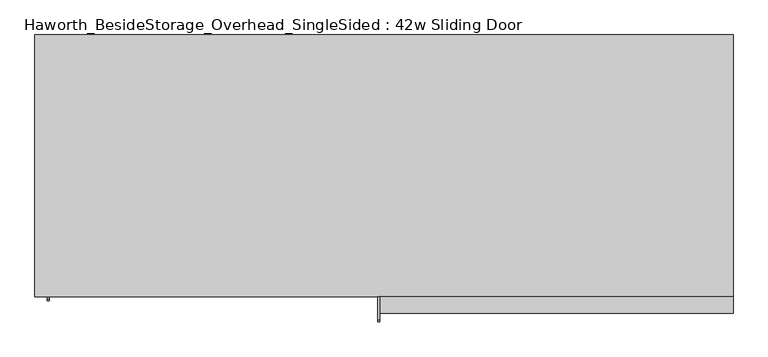
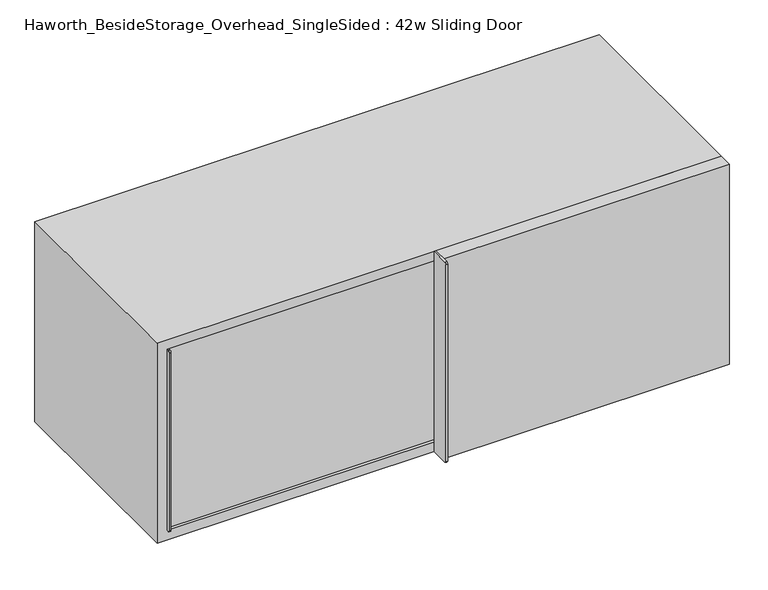
"""IFC4 building model written with IfcOpenShell, lengths in millimetres: furniture geometry, Haworth_BesideStorage_Overhead_SingleSided : 42w Sliding Door."""

from ifc_helpers import new_model, si_unit, point, frame, frame_2d, origin, place, context, project, spatial, polyline, circle_curve, trimmed, segment, composite_curve, outline, extrude, source, transform, mapped, element, save


def haworth_besidestorage_overhead_singlesided_42w_sliding_door_4ea8b382(model_context):
    return source(origin(), model_context, "Body", "SweptSolid", [
        extrude(outline(composite_curve([segment(polyline([(-400.05, 1162.05), (-400.05, 762.0), (-434.975, 762.0)]), True, "CONTINUOUS"), segment(trimmed(circle_curve(frame_2d((-434.975, 765.175)), 3.175), [point((-434.975, 762.0))], [point((-438.15, 765.175))], False, "CARTESIAN"), True, "CONTINUOUS"), segment(polyline([(-438.15, 765.175), (-438.15, 1158.875)]), True, "CONTINUOUS"), segment(trimmed(circle_curve(frame_2d((-434.975, 1158.875)), 3.175), [point((-438.15, 1158.875))], [point((-434.975, 1162.05))], False, "CARTESIAN"), True, "CONTINUOUS"), segment(polyline([(-434.975, 1162.05), (-400.05, 1162.05)]), True, "CONTINUOUS")], self_intersect=False)), frame((155.575, 0.0, 0.0), z_axis=(1.0, 0.0, 0.0), x_axis=(0.0, 1.0, 0.0)), (0.0, 0.0, 1.0), 3.175),
        extrude(outline(polyline([(698.5, -400.05), (698.5, -425.45), (158.75, -425.45), (158.75, -400.05), (698.5, -400.05)])), frame((0.0, 0.0, 762.0), z_axis=(0.0, 0.0, 1.0), x_axis=(1.0, 0.0, 0.0)), (0.0, 0.0, 1.0), 400.05),
        extrude(outline(composite_curve([segment(polyline([(-368.3, 1143.0), (-368.3, 781.05), (-403.225, 781.05)]), True, "CONTINUOUS"), segment(trimmed(circle_curve(frame_2d((-403.225, 784.225)), 3.175), [point((-403.225, 781.05))], [point((-406.4, 784.225))], False, "CARTESIAN"), True, "CONTINUOUS"), segment(polyline([(-406.4, 784.225), (-406.4, 1139.825)]), True, "CONTINUOUS"), segment(trimmed(circle_curve(frame_2d((-403.225, 1139.825)), 3.175), [point((-406.4, 1139.825))], [point((-403.225, 1143.0))], False, "CARTESIAN"), True, "CONTINUOUS"), segment(polyline([(-403.225, 1143.0), (-368.3, 1143.0)]), True, "CONTINUOUS")], self_intersect=False)), frame((-349.25, 0.0, 0.0), z_axis=(1.0, 0.0, 0.0), x_axis=(0.0, 1.0, 0.0)), (0.0, 0.0, 1.0), 3.175),
        extrude(outline(polyline([(174.625, -368.3), (174.625, -393.7), (-346.075, -393.7), (-346.075, -368.3), (174.625, -368.3)])), frame((0.0, 0.0, 781.05), z_axis=(0.0, 0.0, 1.0), x_axis=(1.0, 0.0, 0.0)), (0.0, 0.0, 1.0), 361.95),
        extrude(outline(polyline([(174.625, -368.3), (155.575, -368.3), (155.575, -19.05), (174.625, -19.05), (174.625, -368.3)])), frame((0.0, 0.0, 781.05), z_axis=(0.0, 0.0, 1.0), x_axis=(1.0, 0.0, 0.0)), (0.0, 0.0, 1.0), 361.95),
        extrude(outline(polyline([(679.45, -19.05), (-349.25, -19.05), (-349.25, 0.0), (679.45, 0.0), (679.45, -19.05)])), frame((0.0, 0.0, 781.05), z_axis=(0.0, 0.0, 1.0), x_axis=(1.0, 0.0, 0.0)), (0.0, 0.0, 1.0), 361.95),
        extrude(outline(polyline([(762.0, 698.5), (1162.05, 698.5), (1162.05, -368.3), (762.0, -368.3), (762.0, 698.5)]), holes=[polyline([(1143.0, 679.45), (781.05, 679.45), (781.05, -349.25), (1143.0, -349.25), (1143.0, 679.45)])]), frame((0.0, -400.05, 0.0), z_axis=(0.0, 1.0, 0.0), x_axis=(0.0, 0.0, 1.0)), (0.0, 0.0, 1.0), 400.05),
    ])


if __name__ == "__main__":
    model = new_model("IFC4")
    model_context = context("Model", 3, world=origin())
    ifc_project = project(units=[si_unit("LENGTHUNIT", "METRE", prefix="MILLI")], contexts=[model_context])
    site = spatial("IfcSite", under=ifc_project)
    building = spatial("IfcBuilding", under=site)
    placement = place(None, origin())
    haworth_besidestorage_overhead_singlesided_42w_sliding_door_shape = haworth_besidestorage_overhead_singlesided_42w_sliding_door_4ea8b382(model_context)
    element("IfcFurniture", 1, ObjectType="Haworth_BesideStorage_Overhead_SingleSided : 42w Sliding Door", at=placement, inside=building, context=model_context, shape_type="MappedRepresentation", body=[
        mapped(haworth_besidestorage_overhead_singlesided_42w_sliding_door_shape, transform((0.0, 0.0, 0.0), x_axis=(1.0, 0.0, 0.0), y_axis=(0.0, 1.0, 0.0), z_axis=(0.0, 0.0, 1.0))),
    ])
    save(model, "model.ifc")
